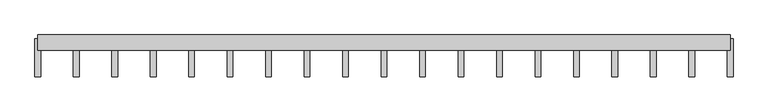
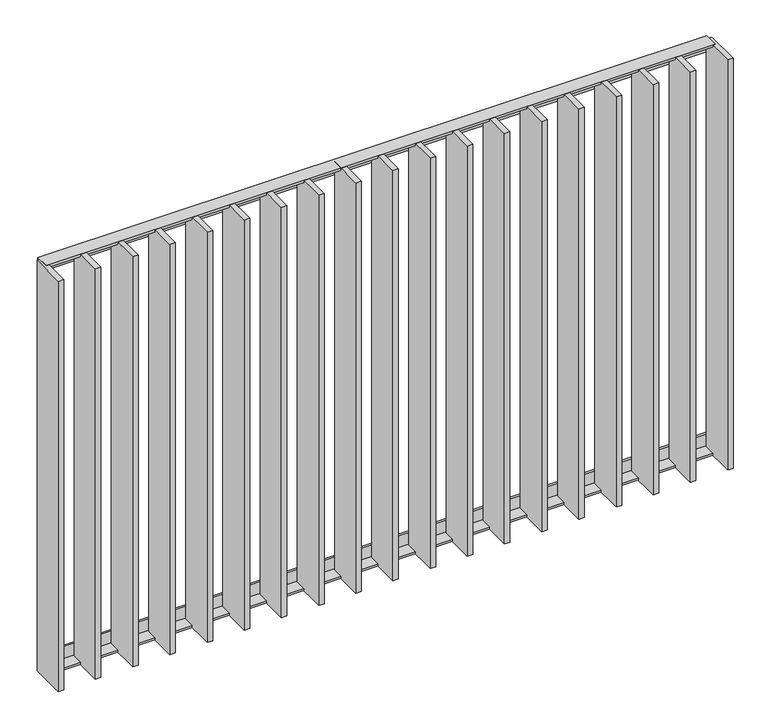
"""IFC4 building model written with IfcOpenShell, lengths in millimetres: railing geometry."""

import ifcopenshell
import ifcopenshell.guid

model = None  # the IFC model being written
_history = None  # IfcOwnerHistory: only IFC2X3 demands one
_inside = {}  # id of a spatial element -> (the spatial element, [elements in it])
_under = {}  # id of a project, library or spatial element -> (it, [spatial elements below it])
_declared = {}  # id of a project -> (the project, [libraries it declares])
_typed = {}  # id of a type object -> (the type object, [elements of that type])
_made_of = {}  # id of a material, layer set ... -> (it, [elements and type objects made of it])


def new_model(schema):
    """Start an empty IFC model of exactly this schema.

    Asked for "IFC4X3", IfcOpenShell would pick the latest addendum, in which some entities
    have other attributes; the version numbers below select the first issue.
    IFC2X3 requires an IfcOwnerHistory on every rooted entity: one is made here for all.
    """
    global model, _history
    if schema == "IFC4X3":
        model = ifcopenshell.file(schema_version=(4, 3, 0, 0))
    else:
        model = ifcopenshell.file(schema=schema)
    _inside.clear()
    _under.clear()
    _declared.clear()
    _typed.clear()
    _made_of.clear()
    _history = None
    if model.schema == "IFC2X3":
        org = make("IfcOrganization", Name="unknown")
        user = make(
            "IfcPersonAndOrganization",
            ThePerson=make("IfcPerson", FamilyName="unknown"),
            TheOrganization=org,
        )
        app = make(
            "IfcApplication",
            ApplicationDeveloper=org,
            Version="unknown",
            ApplicationFullName="unknown",
            ApplicationIdentifier="unknown",
        )
        _history = make(
            "IfcOwnerHistory",
            OwningUser=user,
            OwningApplication=app,
            ChangeAction="ADDED",
            CreationDate=0,
        )
    return model


def make(cls, **values):
    """One entity of the class cls with the attributes given. An attribute that is None is left unset."""
    return model.create_entity(
        cls, **{name: value for name, value in values.items() if value is not None}
    )


def rooted(cls, **values):
    """An entity with a GlobalId (a new one), such as an element, a storey or a relation."""
    return make(cls, GlobalId=ifcopenshell.guid.new(), OwnerHistory=_history, **values)


def si_unit(unit_type, name, prefix=None):
    """IfcSIUnit, for example si_unit("LENGTHUNIT", "METRE", prefix="MILLI")."""
    return make("IfcSIUnit", UnitType=unit_type, Prefix=prefix, Name=name)


def assignment(units):
    """IfcUnitAssignment: the units of a project."""
    return None if units is None else make("IfcUnitAssignment", Units=units)


def point(xyz):
    """IfcCartesianPoint."""
    return None if xyz is None else make("IfcCartesianPoint", Coordinates=xyz)


def direction(xyz):
    """IfcDirection."""
    return None if xyz is None else make("IfcDirection", DirectionRatios=xyz)


def frame(location, z_axis=None, x_axis=None):
    """IfcAxis2Placement3D, a coordinate frame: its origin and axes. An axis left out is left unset."""
    return make(
        "IfcAxis2Placement3D",
        Location=point(location),
        Axis=direction(z_axis),
        RefDirection=direction(x_axis),
    )


def origin():
    """The frame at (0, 0, 0) with its axes left unset."""
    return frame((0.0, 0.0, 0.0))


def place(relative_to, where):
    """IfcLocalPlacement: puts the frame where relative to a parent placement (None: the world)."""
    return make(
        "IfcLocalPlacement", PlacementRelTo=relative_to, RelativePlacement=where
    )


def context(
    kind, dimensions, precision=None, world=None, true_north=None, identifier=None
):
    """IfcGeometricRepresentationContext, for example the 3D "Model" context."""
    return make(
        "IfcGeometricRepresentationContext",
        ContextIdentifier=identifier,
        ContextType=kind,
        CoordinateSpaceDimension=dimensions,
        Precision=precision,
        WorldCoordinateSystem=world,
        TrueNorth=true_north,
    )


def project(units=None, contexts=None):
    """IfcProject with its units and contexts."""
    return rooted(
        "IfcProject",
        Name="project",
        RepresentationContexts=contexts,
        UnitsInContext=assignment(units),
    )


def spatial(cls, under=None, at=None, **own):
    """A site, building, storey or space (cls), placed at a placement, below another one or the project."""
    s = rooted(cls, ObjectPlacement=at, **own)
    if under is not None:
        _under.setdefault(under.id(), (under, []))[1].append(s)
    return s


def polyline(points):
    """IfcPolyline through the points."""
    return make("IfcPolyline", Points=[point(p) for p in points])


def outline(outer, holes=None, kind="AREA"):
    """IfcArbitraryClosedProfileDef: a profile drawn as a closed curve; with holes, ...WithVoids."""
    if holes is None:
        return make("IfcArbitraryClosedProfileDef", ProfileType=kind, OuterCurve=outer)
    return make(
        "IfcArbitraryProfileDefWithVoids",
        ProfileType=kind,
        OuterCurve=outer,
        InnerCurves=holes,
    )


def extrude(swept, where, along, depth):
    """IfcExtrudedAreaSolid: the profile swept, set in the frame where, extruded along a direction by depth."""
    return make(
        "IfcExtrudedAreaSolid",
        SweptArea=swept,
        Position=where,
        ExtrudedDirection=direction(along),
        Depth=depth,
    )


def shape(context_of_items, identifier, shape_type, items):
    """IfcShapeRepresentation: the items that make up one representation, for example the "Body"."""
    return make(
        "IfcShapeRepresentation",
        ContextOfItems=context_of_items,
        RepresentationIdentifier=identifier,
        RepresentationType=shape_type,
        Items=items,
    )


def source(mapping_origin, context_of_items, identifier, shape_type, items):
    """IfcRepresentationMap: a shape defined once, which mapped items show again and again."""
    return make(
        "IfcRepresentationMap",
        MappingOrigin=mapping_origin,
        MappedRepresentation=shape(context_of_items, identifier, shape_type, items),
    )


def transform(
    local_origin,
    x_axis=None,
    y_axis=None,
    z_axis=None,
    scale=None,
    scale2=None,
    scale3=None,
    uniform=True,
):
    """IfcCartesianTransformationOperator3D, or its non-uniform kind. x_axis, y_axis, z_axis: its Axis1, 2, 3."""
    if uniform:
        return make(
            "IfcCartesianTransformationOperator3D",
            Axis1=direction(x_axis),
            Axis2=direction(y_axis),
            LocalOrigin=point(local_origin),
            Scale=scale,
            Axis3=direction(z_axis),
        )
    return make(
        "IfcCartesianTransformationOperator3DnonUniform",
        Axis1=direction(x_axis),
        Axis2=direction(y_axis),
        LocalOrigin=point(local_origin),
        Scale=scale,
        Axis3=direction(z_axis),
        Scale2=scale2,
        Scale3=scale3,
    )


def mapped(mapping_source, mapping_target):
    """IfcMappedItem: shows the shape of a source again, moved by a transform."""
    return make(
        "IfcMappedItem", MappingSource=mapping_source, MappingTarget=mapping_target
    )


def made_of(thing, what):
    """Note that an element or type object is made of a material, layer set ...; save() writes the relation."""
    if what is not None:
        _made_of.setdefault(what.id(), (what, []))[1].append(thing)
    return thing


def element(
    cls,
    number,
    at=None,
    inside=None,
    cuts=None,
    type_object=None,
    material=None,
    context=None,
    identifier="Body",
    shape_type=None,
    held_by="IfcProductDefinitionShape",
    body=None,
    shapes=None,
    **own,
):
    """One element of the class cls, such as IfcWall. Its Tag is "e" and its number.

    at: its placement. inside: the storey or other place that contains it. cuts: it is an
    opening in that element (IfcRelVoidsElement). A single representation is given by context,
    identifier, shape_type and body (its items); several are given by shapes. held_by: the class
    of the entity that holds the representations. save() writes the other relations.
    """
    e = rooted(cls, Tag="e%d" % number, ObjectPlacement=at, **own)
    if body is not None:
        shapes = [shape(context, identifier, shape_type, body)]
    if shapes is not None:
        e.Representation = make(held_by, Representations=shapes)
    if inside is not None:
        _inside.setdefault(inside.id(), (inside, []))[1].append(e)
    if cuts is not None:
        rooted(
            "IfcRelVoidsElement", RelatingBuildingElement=cuts, RelatedOpeningElement=e
        )
    if type_object is not None:
        _typed.setdefault(type_object.id(), (type_object, []))[1].append(e)
    return made_of(e, material)


def aggregate(whole, parts):
    """IfcRelAggregates: a whole, such as a stair, and the parts it consists of."""
    return rooted("IfcRelAggregates", RelatingObject=whole, RelatedObjects=parts)


def save(model, path):
    """Write the relations noted so far, then the file.

    IfcRelAggregates (storeys below a building ...), IfcRelContainedInSpatialStructure (elements
    in a storey), IfcRelDefinesByType, IfcRelAssociatesMaterial and IfcRelDeclares: one each for
    every whole, place, type object, material and project.
    """
    for whole, parts in _under.values():
        aggregate(whole, parts)
    for where, things in _inside.values():
        rooted(
            "IfcRelContainedInSpatialStructure",
            RelatedElements=things,
            RelatingStructure=where,
        )
    for kind, things in _typed.values():
        rooted("IfcRelDefinesByType", RelatedObjects=things, RelatingType=kind)
    for what, things in _made_of.values():
        rooted("IfcRelAssociatesMaterial", RelatedObjects=things, RelatingMaterial=what)
    for by, libraries in _declared.values():
        rooted("IfcRelDeclares", RelatingContext=by, RelatedDefinitions=libraries)
    model.write(path)


def railing_a09ee6d0(model_context):
    return source(origin(), model_context, "Body", "SweptSolid", [
        extrude(outline(polyline([(-14.0, 6.0), (20.0, 6.0), (20.0, 0.0), (-20.0, 0.0), (-20.0, 40.0), (-14.0, 40.0), (-14.0, 6.0)])), frame((21065.9325551, 6059.4012767, 8000.0), z_axis=(1.0, -2.5608022662089432e-12, 0.0), x_axis=(-2.5608022662089432e-12, -1.0, 0.0)), (0.0, 0.0, 1.0), 1820.0),
        extrude(outline(polyline([(-14.0, -6.0), (-14.0, -40.0), (-20.0, -40.0), (-20.0, 0.0), (20.0, 0.0), (20.0, -6.0), (-14.0, -6.0)])), frame((21065.9325551, 6059.4012767, 6820.0), z_axis=(1.0, -2.5608022662089432e-12, 0.0), x_axis=(-2.5608022662089432e-12, -1.0, 0.0)), (0.0, 0.0, 1.0), 1820.0),
        extrude(outline(polyline([(21174.5436662, 6069.4012767), (21174.5436662, 5969.4012767), (21159.5436662, 5969.4012767), (21159.5436662, 6069.4012767), (21174.5436662, 6069.4012767)])), frame((0.0, 0.0, 6819.9), z_axis=(0.0, 0.0, 1.0), x_axis=(1.0, 0.0, 0.0)), (0.0, 0.0, 1.0), 1180.2),
        extrude(outline(polyline([(21275.6547773, 6069.4012767), (21275.6547773, 5969.4012767), (21260.6547773, 5969.4012767), (21260.6547773, 6069.4012767), (21275.6547773, 6069.4012767)])), frame((0.0, 0.0, 6819.9), z_axis=(0.0, 0.0, 1.0), x_axis=(1.0, 0.0, 0.0)), (0.0, 0.0, 1.0), 1180.2),
        extrude(outline(polyline([(21376.7658884, 6069.4012767), (21376.7658884, 5969.4012767), (21361.7658884, 5969.4012767), (21361.7658884, 6069.4012767), (21376.7658884, 6069.4012767)])), frame((0.0, 0.0, 6819.9), z_axis=(0.0, 0.0, 1.0), x_axis=(1.0, 0.0, 0.0)), (0.0, 0.0, 1.0), 1180.2),
        extrude(outline(polyline([(21477.8769995, 6069.4012767), (21477.8769995, 5969.4012767), (21462.8769995, 5969.4012767), (21462.8769995, 6069.4012767), (21477.8769995, 6069.4012767)])), frame((0.0, 0.0, 6819.9), z_axis=(0.0, 0.0, 1.0), x_axis=(1.0, 0.0, 0.0)), (0.0, 0.0, 1.0), 1180.2),
        extrude(outline(polyline([(21578.9881106, 6069.4012767), (21578.9881106, 5969.4012767), (21563.9881106, 5969.4012767), (21563.9881106, 6069.4012767), (21578.9881106, 6069.4012767)])), frame((0.0, 0.0, 6819.9), z_axis=(0.0, 0.0, 1.0), x_axis=(1.0, 0.0, 0.0)), (0.0, 0.0, 1.0), 1180.2),
        extrude(outline(polyline([(21680.0992217, 6069.4012767), (21680.0992217, 5969.4012767), (21665.0992217, 5969.4012767), (21665.0992217, 6069.4012767), (21680.0992217, 6069.4012767)])), frame((0.0, 0.0, 6819.9), z_axis=(0.0, 0.0, 1.0), x_axis=(1.0, 0.0, 0.0)), (0.0, 0.0, 1.0), 1180.2),
        extrude(outline(polyline([(21781.2103329, 6069.4012767), (21781.2103329, 5969.4012767), (21766.2103329, 5969.4012767), (21766.2103329, 6069.4012767), (21781.2103329, 6069.4012767)])), frame((0.0, 0.0, 6819.9), z_axis=(0.0, 0.0, 1.0), x_axis=(1.0, 0.0, 0.0)), (0.0, 0.0, 1.0), 1180.2),
        extrude(outline(polyline([(21882.321444, 6069.4012767), (21882.321444, 5969.4012767), (21867.321444, 5969.4012767), (21867.321444, 6069.4012767), (21882.321444, 6069.4012767)])), frame((0.0, 0.0, 6819.9), z_axis=(0.0, 0.0, 1.0), x_axis=(1.0, 0.0, 0.0)), (0.0, 0.0, 1.0), 1180.2),
        extrude(outline(polyline([(21983.4325551, 6069.4012767), (21983.4325551, 5969.4012767), (21968.4325551, 5969.4012767), (21968.4325551, 6069.4012767), (21983.4325551, 6069.4012767)])), frame((0.0, 0.0, 6819.9), z_axis=(0.0, 0.0, 1.0), x_axis=(1.0, 0.0, 0.0)), (0.0, 0.0, 1.0), 1180.2),
        extrude(outline(polyline([(22084.5436662, 6069.4012767), (22084.5436662, 5969.4012767), (22069.5436662, 5969.4012767), (22069.5436662, 6069.4012767), (22084.5436662, 6069.4012767)])), frame((0.0, 0.0, 6819.9), z_axis=(0.0, 0.0, 1.0), x_axis=(1.0, 0.0, 0.0)), (0.0, 0.0, 1.0), 1180.2),
        extrude(outline(polyline([(22185.6547773, 6069.4012767), (22185.6547773, 5969.4012767), (22170.6547773, 5969.4012767), (22170.6547773, 6069.4012767), (22185.6547773, 6069.4012767)])), frame((0.0, 0.0, 6819.9), z_axis=(0.0, 0.0, 1.0), x_axis=(1.0, 0.0, 0.0)), (0.0, 0.0, 1.0), 1180.2),
        extrude(outline(polyline([(22286.7658884, 6069.4012767), (22286.7658884, 5969.4012767), (22271.7658884, 5969.4012767), (22271.7658884, 6069.4012767), (22286.7658884, 6069.4012767)])), frame((0.0, 0.0, 6819.9), z_axis=(0.0, 0.0, 1.0), x_axis=(1.0, 0.0, 0.0)), (0.0, 0.0, 1.0), 1180.2),
        extrude(outline(polyline([(22387.8769995, 6069.4012767), (22387.8769995, 5969.4012767), (22372.8769995, 5969.4012767), (22372.8769995, 6069.4012767), (22387.8769995, 6069.4012767)])), frame((0.0, 0.0, 6819.9), z_axis=(0.0, 0.0, 1.0), x_axis=(1.0, 0.0, 0.0)), (0.0, 0.0, 1.0), 1180.2),
        extrude(outline(polyline([(22488.9881106, 6069.4012767), (22488.9881106, 5969.4012767), (22473.9881106, 5969.4012767), (22473.9881106, 6069.4012767), (22488.9881106, 6069.4012767)])), frame((0.0, 0.0, 6819.9), z_axis=(0.0, 0.0, 1.0), x_axis=(1.0, 0.0, 0.0)), (0.0, 0.0, 1.0), 1180.2),
        extrude(outline(polyline([(22590.0992217, 6069.4012767), (22590.0992217, 5969.4012767), (22575.0992217, 5969.4012767), (22575.0992217, 6069.4012767), (22590.0992217, 6069.4012767)])), frame((0.0, 0.0, 6819.9), z_axis=(0.0, 0.0, 1.0), x_axis=(1.0, 0.0, 0.0)), (0.0, 0.0, 1.0), 1180.2),
        extrude(outline(polyline([(22691.2103329, 6069.4012767), (22691.2103329, 5969.4012767), (22676.2103329, 5969.4012767), (22676.2103329, 6069.4012767), (22691.2103329, 6069.4012767)])), frame((0.0, 0.0, 6819.9), z_axis=(0.0, 0.0, 1.0), x_axis=(1.0, 0.0, 0.0)), (0.0, 0.0, 1.0), 1180.2),
        extrude(outline(polyline([(22792.321444, 6069.4012767), (22792.321444, 5969.4012767), (22777.321444, 5969.4012767), (22777.321444, 6069.4012767), (22792.321444, 6069.4012767)])), frame((0.0, 0.0, 6819.9), z_axis=(0.0, 0.0, 1.0), x_axis=(1.0, 0.0, 0.0)), (0.0, 0.0, 1.0), 1180.2),
        extrude(outline(polyline([(21073.4325551, 6069.4012767), (21073.4325551, 5969.4012767), (21058.4325551, 5969.4012767), (21058.4325551, 6069.4012767), (21073.4325551, 6069.4012767)])), frame((0.0, 0.0, 6819.9), z_axis=(0.0, 0.0, 1.0), x_axis=(1.0, 0.0, 0.0)), (0.0, 0.0, 1.0), 1180.2),
        extrude(outline(polyline([(22893.4325551, 6069.4012767), (22893.4325551, 5969.4012767), (22878.4325551, 5969.4012767), (22878.4325551, 6069.4012767), (22893.4325551, 6069.4012767)])), frame((0.0, 0.0, 6819.9), z_axis=(0.0, 0.0, 1.0), x_axis=(1.0, 0.0, 0.0)), (0.0, 0.0, 1.0), 1180.2),
    ])


if __name__ == "__main__":
    model = new_model("IFC4")
    model_context = context("Model", 3, world=origin())
    ifc_project = project(units=[si_unit("LENGTHUNIT", "METRE", prefix="MILLI")], contexts=[model_context])
    site = spatial("IfcSite", under=ifc_project)
    building = spatial("IfcBuilding", under=site)
    placement = place(None, origin())
    railing_shape = railing_a09ee6d0(model_context)
    element("IfcRailing", 1, at=placement, inside=building, context=model_context, shape_type="MappedRepresentation", body=[
        mapped(railing_shape, transform((0.0, 0.0, 0.0), x_axis=(1.0, 0.0, 0.0), y_axis=(0.0, 1.0, 0.0), z_axis=(0.0, 0.0, 1.0))),
    ])
    save(model, "model.ifc")
